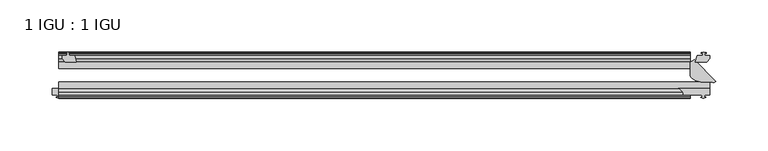
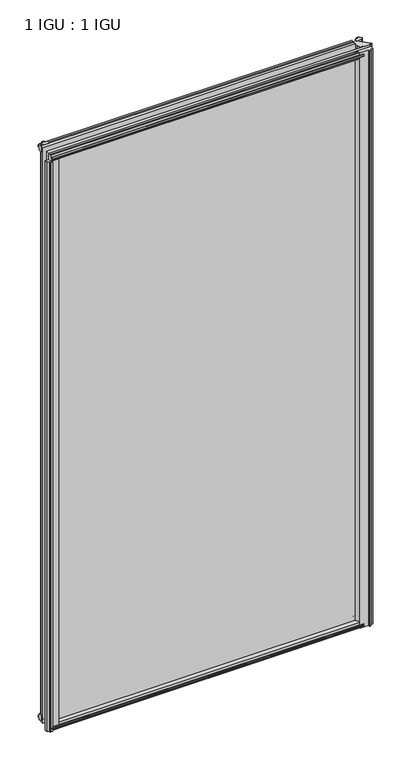
"""IFC4 building model written with IfcOpenShell, lengths in millimetres: plate geometry, 1 IGU : 1 IGU."""

from ifc_helpers import new_model, si_unit, point, frame, frame_2d, origin, place, context, project, spatial, polyline, circle_curve, trimmed, segment, composite_curve, outline, extrude, source, transform, mapped, element, save
from ifc_brep_helpers import plane_surface, cylinder_surface, revolved_surface, extruded_surface, spline_curve, advanced_brep


def plate_1_igu_1_igu_83ec27e7(model_context):
    return source(origin(), model_context, "Body", "SolidModel", [
        extrude(outline(polyline([(313.1654553, -10.4746158), (315.3429844, -9.7670938), (317.5205134, -10.4746158), (317.5205134, -11.27583), (316.1049844, -10.8158968), (316.4859844, -13.1960938), (320.9309844, -13.1960938), (320.9309844, -16.1424938), (318.0966422, -19.5460938), (307.2752663, -19.5460938), (308.9929844, -13.1960938), (314.1999844, -13.1960938), (314.5809844, -10.8158968), (313.1654553, -11.27583), (313.1654553, -10.4746158)])), frame((0.0, 0.0, -12.4587), z_axis=(0.0, 0.0, 1.0), x_axis=(1.0, 0.0, 0.0)), (0.0, 0.0, 1.0), 1180.6174),
        extrude(outline(polyline([(-295.7968906, -9.7670937), (-293.6193616, -10.4746158), (-293.6193616, -11.27583), (-295.0348906, -10.8158968), (-294.6538906, -13.1960937), (-289.4468906, -13.1960937), (-287.7291725, -19.5460937), (-298.5505485, -19.5460937), (-301.3848906, -16.1424937), (-301.3848906, -13.1960937), (-296.9398906, -13.1960937), (-296.5588906, -10.8158968), (-297.9744197, -11.27583), (-297.9744197, -10.4746158), (-295.7968906, -9.7670937)])), frame((0.0, 0.0, -12.4587), z_axis=(0.0, 0.0, 1.0), x_axis=(1.0, 0.0, 0.0)), (0.0, 0.0, 1.0), 1180.6174),
        advanced_brep(
        [(302.2098191, -32.4235409, -12.4587), (302.2098191, -19.5460938, -12.4587), (306.3603258, -17.4341351, -12.4587), (327.0893858, -38.1631952, -12.4587), (324.2055073, -39.1534565, -12.4587), (321.2598191, -38.9186738, -12.4587), (312.4327657, -38.9186738, -12.4587), (302.2098191, -19.5460938, 1168.1587), (302.2098191, -32.4235409, 1168.1587), (312.4327657, -38.9186738, 1168.1587), (321.2598191, -38.9186738, 1168.1587), (324.2055073, -39.1534565, 1168.1587), (327.0893858, -38.1631952, 1168.1587), (306.3603258, -17.4341351, 1168.1587)],
        [
            (0, 1),
            (1, 2, circle_curve(frame((301.0410804, -12.1148898, -12.4587), z_axis=(0.0, 0.0, 1.0), x_axis=(1.0, 0.0, 0.0)), 7.522549)),
            (2, 3),
            (3, 4, circle_curve(frame((324.6344618, -35.7082712, -12.4587), z_axis=(0.0, 0.0, -1.0), x_axis=(1.0, 0.0, 0.0)), 3.4717869)),
            (4, 5, circle_curve(frame((322.2411402, -45.2029297, -12.4587), z_axis=(0.0, 0.0, 1.0), x_axis=(1.0, 0.0, 0.0)), 6.3604139)),
            (5, 6),
            (6, 0, spline_curve(3, [(312.4327657, -38.9186738, -12.4587), (311.809740957, -38.761397276, -12.4587), (311.196115338, -38.593572819, -12.4587), (310.283543481, -38.33300809, -12.4587), (309.98066394, -38.244681767, -12.4587), (309.53003538, -38.108050567, -12.4587), (309.380440983, -38.061816567, -12.4587), (309.083829617, -37.966456033, -12.4587), (308.936812673, -37.917329535, -12.4587), (308.644762727, -37.816850065, -12.4587), (308.499729715, -37.765497092, -12.4587), (308.211171685, -37.661098908, -12.4587), (308.067646686, -37.608053732, -12.4587), (307.783099514, -37.499154468, -12.4587), (307.642077426, -37.443300373, -12.4587), (307.363540174, -37.327656627, -12.4587), (307.22602497, -37.267866907, -12.4587), (306.95399843, -37.144916693, -12.4587), (306.819487069, -37.08175619, -12.4587), (306.552974331, -36.95261821, -12.4587), (306.420973005, -36.886640761, -12.4587), (306.160455595, -36.750774839, -12.4587), (306.031939475, -36.680886361, -12.4587), (305.779493525, -36.535961839, -12.4587), (305.655563686, -36.460925826, -12.4587), (305.289346829, -36.229568448, -12.4587), (305.052632562, -36.066997955, -12.4587), (304.710214269, -35.808915823, -12.4587), (304.598183671, -35.720517294, -12.4587), (304.379703929, -35.537504106, -12.4587), (304.273254796, -35.442889374, -12.4587), (304.065369004, -35.247854426, -12.4587), (303.963932414, -35.147434212, -12.4587), (303.765504186, -34.941441188, -12.4587), (303.668512568, -34.835868404, -12.4587), (303.386197964, -34.509849393, -12.4587), (303.209535148, -34.280102712, -12.4587), (302.717605205, -33.551170176, -12.4587), (302.440396533, -33.012291938, -12.4587), (302.2098191, -32.4235409, -12.4587)], [4, 2, 2, 2, 2, 2, 2, 2, 2, 2, 2, 2, 2, 2, 2, 2, 2, 2, 2, 4], [0.0, 0.14285714285714285, 0.21428571428571427, 0.25, 0.2857142857142857, 0.3214285714285714, 0.3571428571428571, 0.3928571428571428, 0.42857142857142855, 0.4642857142857143, 0.5, 0.5357142857142857, 0.5714285714285714, 0.6428571428571428, 0.6785714285714285, 0.7142857142857142, 0.7499999999999999, 0.7857142857142856, 0.8571428571428571, 1.0])),
            (7, 8),
            (8, 9, spline_curve(3, [(302.2098191, -32.4235409, 1168.1587), (302.440396533, -33.012291938, 1168.1587), (302.717605205, -33.551170176, 1168.1587), (303.209535148, -34.280102712, 1168.1587), (303.386197964, -34.509849393, 1168.1587), (303.668512568, -34.835868404, 1168.1587), (303.765504186, -34.941441188, 1168.1587), (303.963932414, -35.147434212, 1168.1587), (304.065369004, -35.247854426, 1168.1587), (304.273254796, -35.442889374, 1168.1587), (304.379703929, -35.537504106, 1168.1587), (304.598183671, -35.720517294, 1168.1587), (304.710214269, -35.808915823, 1168.1587), (305.052632562, -36.066997955, 1168.1587), (305.289346829, -36.229568448, 1168.1587), (305.655563686, -36.460925826, 1168.1587), (305.779493525, -36.535961839, 1168.1587), (306.031939475, -36.680886361, 1168.1587), (306.160455595, -36.750774839, 1168.1587), (306.420973005, -36.886640761, 1168.1587), (306.552974331, -36.95261821, 1168.1587), (306.819487069, -37.08175619, 1168.1587), (306.95399843, -37.144916693, 1168.1587), (307.22602497, -37.267866907, 1168.1587), (307.363540174, -37.327656627, 1168.1587), (307.642077426, -37.443300373, 1168.1587), (307.783099514, -37.499154468, 1168.1587), (308.067646686, -37.608053732, 1168.1587), (308.211171685, -37.661098908, 1168.1587), (308.499729715, -37.765497092, 1168.1587), (308.644762727, -37.816850065, 1168.1587), (308.936812673, -37.917329535, 1168.1587), (309.083829617, -37.966456033, 1168.1587), (309.380440983, -38.061816567, 1168.1587), (309.53003538, -38.108050567, 1168.1587), (309.98066394, -38.244681767, 1168.1587), (310.283543481, -38.33300809, 1168.1587), (311.196115338, -38.593572819, 1168.1587), (311.809740957, -38.761397276, 1168.1587), (312.4327657, -38.9186738, 1168.1587)], [4, 2, 2, 2, 2, 2, 2, 2, 2, 2, 2, 2, 2, 2, 2, 2, 2, 2, 2, 4], [0.0, 0.1428571428571429, 0.2142857142857144, 0.2500000000000001, 0.2857142857142858, 0.3214285714285715, 0.3571428571428572, 0.4285714285714286, 0.4642857142857143, 0.5, 0.5357142857142857, 0.5714285714285714, 0.6071428571428572, 0.6428571428571429, 0.6785714285714286, 0.7142857142857143, 0.75, 0.7857142857142857, 0.8571428571428572, 1.0])),
            (9, 10),
            (10, 11, circle_curve(frame((322.2411402, -45.2029297, 1168.1587), z_axis=(0.0, 0.0, -1.0), x_axis=(1.0, 0.0, 0.0)), 6.3604139)),
            (11, 12, circle_curve(frame((324.6344618, -35.7082712, 1168.1587), z_axis=(0.0, 0.0, 1.0), x_axis=(1.0, 0.0, 0.0)), 3.4717869)),
            (12, 13),
            (13, 7, circle_curve(frame((301.0410804, -12.1148898, 1168.1587), z_axis=(0.0, 0.0, -1.0), x_axis=(1.0, 0.0, 0.0)), 7.522549)),
            (1, 7),
            (13, 2),
            (12, 3),
            (11, 4),
            (10, 5),
            (9, 6),
            (8, 0),
        ],
        [
            plane_surface(frame((333.8722844, -13.1960938, -12.4587), z_axis=(0.0, 0.0, -1.0), x_axis=(0.0, 1.0, 0.0))),
            plane_surface(frame((333.8722844, -13.1960938, 1168.1587), z_axis=(0.0, 0.0, 1.0), x_axis=(0.0, 1.0, 0.0))),
            revolved_surface(polyline([(308.5636294, -12.1148898, 1168.1587), (308.5636294, -12.1148898, -12.4587)]), (301.0410804, -12.1148898, -12.4587), (0.0, 0.0, 1.0)),
            plane_surface(frame((306.3603258, -17.4341351, -12.4587), z_axis=(0.7071067811865649, 0.7071067811865301, 0.0), x_axis=(0.0, 0.0, 1.0))),
            cylinder_surface(frame((324.6344618, -35.7082712, -12.4587), z_axis=(0.0, 0.0, -1.0), x_axis=(1.0, 0.0, 0.0)), 3.4717869),
            revolved_surface(polyline([(328.60155410000004, -45.2029297, 1168.1587), (328.60155410000004, -45.2029297, -12.4587)]), (322.2411402, -45.2029297, -12.4587), (0.0, 0.0, 1.0)),
            plane_surface(frame((321.2598191, -38.9186738, -12.4587), z_axis=(0.0, -1.0, 0.0), x_axis=(0.0, 0.0, 1.0))),
            extruded_surface(spline_curve(3, [(312.4327657, -38.9186738, 1168.1587), (311.809740957, -38.761397276, 1168.1587), (311.196115338, -38.593572819, 1168.1587), (310.283543481, -38.33300809, 1168.1587), (309.98066394, -38.244681767, 1168.1587), (309.53003538, -38.108050567, 1168.1587), (309.380440983, -38.061816567, 1168.1587), (309.083829617, -37.966456033, 1168.1587), (308.936812673, -37.917329535, 1168.1587), (308.644762727, -37.816850065, 1168.1587), (308.499729715, -37.765497092, 1168.1587), (308.211171685, -37.661098908, 1168.1587), (308.067646686, -37.608053732, 1168.1587), (307.783099514, -37.499154468, 1168.1587), (307.642077426, -37.443300373, 1168.1587), (307.363540174, -37.327656627, 1168.1587), (307.22602497, -37.267866907, 1168.1587), (306.95399843, -37.144916693, 1168.1587), (306.819487069, -37.08175619, 1168.1587), (306.552974331, -36.95261821, 1168.1587), (306.420973005, -36.886640761, 1168.1587), (306.160455595, -36.750774839, 1168.1587), (306.031939475, -36.680886361, 1168.1587), (305.779493525, -36.535961839, 1168.1587), (305.655563686, -36.460925826, 1168.1587), (305.289346829, -36.229568448, 1168.1587), (305.052632562, -36.066997955, 1168.1587), (304.710214269, -35.808915823, 1168.1587), (304.598183671, -35.720517294, 1168.1587), (304.379703929, -35.537504106, 1168.1587), (304.273254796, -35.442889374, 1168.1587), (304.065369004, -35.247854426, 1168.1587), (303.963932414, -35.147434212, 1168.1587), (303.765504186, -34.941441188, 1168.1587), (303.668512568, -34.835868404, 1168.1587), (303.386197964, -34.509849393, 1168.1587), (303.209535148, -34.280102712, 1168.1587), (302.717605205, -33.551170176, 1168.1587), (302.440396533, -33.012291938, 1168.1587), (302.2098191, -32.4235409, 1168.1587)], [4, 2, 2, 2, 2, 2, 2, 2, 2, 2, 2, 2, 2, 2, 2, 2, 2, 2, 2, 4], [0.0, 0.14285714285714285, 0.21428571428571427, 0.25, 0.2857142857142857, 0.3214285714285714, 0.3571428571428571, 0.3928571428571428, 0.42857142857142855, 0.4642857142857143, 0.5, 0.5357142857142857, 0.5714285714285714, 0.6428571428571428, 0.6785714285714285, 0.7142857142857142, 0.7499999999999999, 0.7857142857142856, 0.8571428571428571, 1.0]), (0.0, 0.0, -1180.6173999999999), 1180.6173999999999),
            plane_surface(frame((302.2098191, -26.0577923, -12.4587), z_axis=(-1.0, 0.0, 0.0), x_axis=(0.0, 0.0, 1.0))),
        ],
        [
            (0, [[1, 2, 3, 4, 5, 6, 7]]),
            (1, [[8, 9, 10, 11, 12, 13, 14]]),
            (2, [[-2, 15, -14, 16]]),
            (3, [[-3, -16, -13, 17]]),
            (4, [[-4, -17, -12, 18]]),
            (5, [[-5, -18, -11, 19]]),
            (6, [[-6, -19, -10, 20]]),
            (7, [[-7, -20, -9, 21]]),
            (8, [[-21, -8, -15, -1]]),
        ],
    ),
        advanced_brep(
        [(291.0346055, -44.9460938, -12.4587), (321.2598191, -44.9460938, -12.4587), (321.2598191, -51.2960938, -12.4587), (316.1798191, -51.2960938, -12.4587), (315.8623191, -53.4006957, -12.4587), (317.080925, -53.0741712, -12.4587), (317.2847191, -53.8347412, -12.4587), (314.9098191, -54.4710938, -12.4587), (312.5349191, -53.8347412, -12.4587), (312.7387133, -53.0741712, -12.4587), (313.9629897, -53.4022151, -12.4587), (313.6258612, -51.2960938, -12.4587), (295.8562303, -51.2960938, -12.4587), (291.0346055, -44.9460938, 1168.1587), (295.8562303, -51.2960938, 1168.1587), (313.6258612, -51.2960938, 1168.1587), (313.9629897, -53.4022151, 1168.1587), (312.7387133, -53.0741712, 1168.1587), (312.5349191, -53.8347412, 1168.1587), (314.9098191, -54.4710938, 1168.1587), (317.2847191, -53.8347412, 1168.1587), (317.080925, -53.0741712, 1168.1587), (315.8623191, -53.4006957, 1168.1587), (316.1798191, -51.2960938, 1168.1587), (321.2598191, -51.2960938, 1168.1587), (321.2598191, -44.9460938, 1168.1587)],
        [
            (0, 1),
            (1, 2),
            (2, 3),
            (3, 4),
            (4, 5),
            (5, 6),
            (6, 7),
            (7, 8),
            (8, 9),
            (9, 10),
            (10, 11),
            (11, 12),
            (12, 0, circle_curve(frame((287.5993354, -52.5600884, -12.4587), z_axis=(0.0, 0.0, 1.0), x_axis=(1.0, 0.0, 0.0)), 8.353083)),
            (13, 14, circle_curve(frame((287.5993354, -52.5600884, 1168.1587), z_axis=(0.0, 0.0, -1.0), x_axis=(1.0, 0.0, 0.0)), 8.353083)),
            (14, 15),
            (15, 16),
            (16, 17),
            (17, 18),
            (18, 19),
            (19, 20),
            (20, 21),
            (21, 22),
            (22, 23),
            (23, 24),
            (24, 25),
            (25, 13),
            (0, 13),
            (25, 1),
            (24, 2),
            (23, 3),
            (22, 4),
            (21, 5),
            (20, 6),
            (19, 7),
            (18, 8),
            (17, 9),
            (16, 10),
            (15, 11),
            (14, 12),
        ],
        [
            plane_surface(frame((333.8722844, -13.1960938, -12.4587), z_axis=(0.0, 0.0, -1.0), x_axis=(0.0, 1.0, 0.0))),
            plane_surface(frame((333.8722844, -13.1960938, 1168.1587), z_axis=(0.0, 0.0, 1.0), x_axis=(0.0, 1.0, 0.0))),
            plane_surface(frame((291.0346055, -44.9460938, -12.4587), z_axis=(0.0, 1.0, 0.0), x_axis=(0.0, 0.0, 1.0))),
            plane_surface(frame((321.2598191, -44.9460938, -12.4587), z_axis=(1.0, 0.0, 0.0), x_axis=(0.0, 0.0, 1.0))),
            plane_surface(frame((321.2598191, -51.2960938, -12.4587), z_axis=(0.0, -1.0, 0.0), x_axis=(0.0, 0.0, 1.0))),
            plane_surface(frame((316.1798191, -51.2960938, -12.4587), z_axis=(0.9888112705101836, -0.1491719521627195, 0.0), x_axis=(0.0, 0.0, 1.0))),
            plane_surface(frame((315.8623191, -53.4006957, -12.4587), z_axis=(-0.25881904510250375, 0.9659258262890729, 0.0), x_axis=(0.0, 0.0, 1.0))),
            plane_surface(frame((317.080925, -53.0741712, -12.4587), z_axis=(0.9659258262890739, 0.2588190451025002, 0.0), x_axis=(0.0, 0.0, 1.0))),
            plane_surface(frame((317.2847191, -53.8347412, -12.4587), z_axis=(0.2588190451025227, -0.9659258262890678, 0.0), x_axis=(0.0, 0.0, 1.0))),
            plane_surface(frame((314.9098191, -54.4710938, -12.4587), z_axis=(-0.25881904510253645, -0.9659258262890641, 0.0), x_axis=(0.0, 0.0, 1.0))),
            plane_surface(frame((312.5349191, -53.8347412, -12.4587), z_axis=(-0.9659258262890702, 0.25881904510251363, 0.0), x_axis=(0.0, 0.0, 1.0))),
            plane_surface(frame((312.7387133, -53.0741712, -12.4587), z_axis=(0.2588190451025192, 0.9659258262890688, 0.0), x_axis=(0.0, 0.0, 1.0))),
            plane_surface(frame((313.9629897, -53.4022151, -12.4587), z_axis=(-0.9874297253783597, -0.1580586518961148, 0.0), x_axis=(0.0, 0.0, 1.0))),
            plane_surface(frame((313.6258612, -51.2960938, -12.4587), z_axis=(0.0, -1.0, 0.0), x_axis=(0.0, 0.0, 1.0))),
            revolved_surface(polyline([(295.9524184, -52.5600884, 1168.1587), (295.9524184, -52.5600884, -12.4587)]), (287.5993354, -52.5600884, -12.4587), (0.0, 0.0, 1.0)),
        ],
        [
            (0, [[1, 2, 3, 4, 5, 6, 7, 8, 9, 10, 11, 12, 13]]),
            (1, [[14, 15, 16, 17, 18, 19, 20, 21, 22, 23, 24, 25, 26]]),
            (2, [[-1, 27, -26, 28]]),
            (3, [[-2, -28, -25, 29]]),
            (4, [[-3, -29, -24, 30]]),
            (5, [[-4, -30, -23, 31]]),
            (6, [[-5, -31, -22, 32]]),
            (7, [[-6, -32, -21, 33]]),
            (8, [[-7, -33, -20, 34]]),
            (9, [[-8, -34, -19, 35]]),
            (10, [[-9, -35, -18, 36]]),
            (11, [[-10, -36, -17, 37]]),
            (12, [[-11, -37, -16, 38]]),
            (13, [[-12, -38, -15, 39]]),
            (14, [[-13, -39, -14, -27]]),
        ],
    ),
        extrude(outline(composite_curve([segment(polyline([(-311.1511906, -44.9460937), (-287.0629464, -44.9460937)]), True, "CONTINUOUS"), segment(trimmed(circle_curve(frame_2d((-280.1505628, -50.4227155)), 8.8189814), [point((-287.0629464, -44.9460937))], [point((-288.9261906, -51.2960937))], True, "CARTESIAN"), True, "CONTINUOUS"), segment(polyline([(-288.9261906, -51.2960937), (-303.5311906, -51.2960937), (-303.8486906, -53.4006957), (-302.6300847, -53.0741712), (-302.4262906, -53.8347412), (-304.8011906, -54.4710937), (-307.1760906, -53.8347412), (-306.9722965, -53.0741712), (-305.7536906, -53.4006957), (-306.0711906, -51.2960937), (-311.1511906, -51.2960937), (-311.1511906, -44.9460937)]), True, "CONTINUOUS")], self_intersect=False)), frame((0.0, 0.0, -12.4587), z_axis=(0.0, 0.0, 1.0), x_axis=(1.0, 0.0, 0.0)), (0.0, 0.0, 1.0), 1167.9174),
        extrude(outline(polyline([(-10.4746158, -4.6931709), (-9.7670937, -6.8707), (-10.4746158, -9.0482291), (-11.27583, -9.0482291), (-10.8158968, -7.6327), (-13.1960937, -8.0137), (-13.1960937, -12.4587), (-16.1424937, -12.4587), (-19.5460937, -9.6243578), (-19.5460937, 1.1970181), (-13.1960937, -0.5207), (-13.1960937, -5.7277), (-10.8158968, -6.1087), (-11.27583, -4.6931709), (-10.4746158, -4.6931709)])), frame((-304.8011906, 0.0, 0.0), z_axis=(1.0, 0.0, 0.0), x_axis=(0.0, 1.0, 0.0)), (0.0, 0.0, 1.0), 607.0226937),
        extrude(outline(polyline([(-44.9460937, 1.7177181), (-44.9460937, -9.1036578), (-48.3496937, -11.938), (-51.2960937, -11.938), (-51.2960937, -7.493), (-53.6762907, -7.112), (-53.2163575, -8.5275291), (-54.0175717, -8.5275291), (-54.7250937, -6.35), (-54.0175717, -4.1724709), (-53.2163575, -4.1724709), (-53.6762907, -5.588), (-51.2960937, -5.207), (-51.2960937, 0.0), (-44.9460937, 1.7177181)])), frame((-304.8011906, 0.0, 0.0), z_axis=(1.0, 0.0, 0.0), x_axis=(0.0, 1.0, 0.0)), (0.0, 0.0, 1.0), 607.0226937),
        extrude(outline(polyline([(-10.8158968, 1163.3327), (-11.27583, 1164.7482291), (-10.4746158, 1164.7482291), (-9.7670937, 1162.5707), (-10.4746158, 1160.3931709), (-11.27583, 1160.3931709), (-10.8158968, 1161.8087), (-13.1960937, 1161.4277), (-13.1960937, 1156.2207), (-19.5460938, 1154.5029819), (-19.5460938, 1165.3243578), (-16.1424937, 1168.1587), (-13.1960937, 1168.1587), (-13.1960937, 1163.7137), (-10.8158968, 1163.3327)])), frame((-304.8011906, 0.0, 0.0), z_axis=(1.0, 0.0, 0.0), x_axis=(0.0, 1.0, 0.0)), (0.0, 0.0, 1.0), 607.0226937),
        extrude(outline(polyline([(-51.2960937, 1167.638), (-48.3496937, 1167.638), (-44.9460938, 1164.8036578), (-44.9460938, 1153.9822819), (-51.2960937, 1155.7), (-51.2960937, 1160.907), (-53.6762907, 1161.288), (-53.2163575, 1159.8724709), (-54.0175717, 1159.8724709), (-54.7250937, 1162.05), (-54.0175717, 1164.2275291), (-53.2163575, 1164.2275291), (-53.6762907, 1162.812), (-51.2960937, 1163.193), (-51.2960937, 1167.638)])), frame((-304.8011906, 0.0, 0.0), z_axis=(1.0, 0.0, 0.0), x_axis=(0.0, 1.0, 0.0)), (0.0, 0.0, 1.0), 607.0226937),
        extrude(outline(polyline([(-304.8011906, -38.9186738), (321.2715031, -38.9186738), (321.2715031, -44.9460937), (-304.8011906, -44.9460937), (-304.8011906, -38.9186738)])), frame((0.0, 0.0, -12.7), z_axis=(0.0, 0.0, 1.0), x_axis=(1.0, 0.0, 0.0)), (0.0, 0.0, 1.0), 1181.1),
        extrude(outline(polyline([(-304.8011906, -19.5460937), (302.2215031, -19.5460937), (302.2215031, -25.8960938), (-304.8011906, -25.8960938), (-304.8011906, -19.5460937)])), frame((0.0, 0.0, -12.7), z_axis=(0.0, 0.0, 1.0), x_axis=(1.0, 0.0, 0.0)), (0.0, 0.0, 1.0), 1181.1),
    ])


if __name__ == "__main__":
    model = new_model("IFC4")
    model_context = context("Model", 3, world=origin())
    ifc_project = project(units=[si_unit("LENGTHUNIT", "METRE", prefix="MILLI")], contexts=[model_context])
    site = spatial("IfcSite", under=ifc_project)
    building = spatial("IfcBuilding", under=site)
    placement = place(None, origin())
    plate_1_igu_1_igu_shape = plate_1_igu_1_igu_83ec27e7(model_context)
    element("IfcPlate", 1, ObjectType="1 IGU : 1 IGU", at=placement, inside=building, context=model_context, shape_type="MappedRepresentation", body=[
        mapped(plate_1_igu_1_igu_shape, transform((0.0, 0.0, 0.0), x_axis=(1.0, 0.0, 0.0), y_axis=(0.0, 1.0, 0.0), z_axis=(0.0, 0.0, 1.0))),
    ])
    save(model, "model.ifc")
